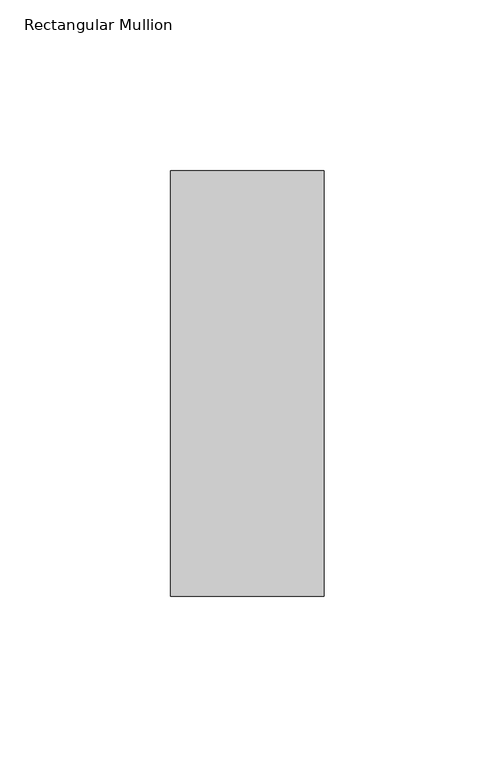
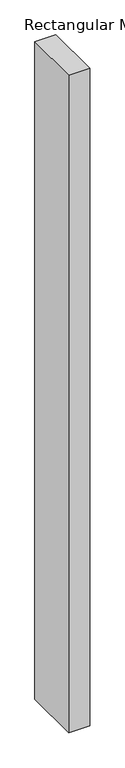
"""IFC4 building model written with IfcOpenShell, lengths in millimetres: member geometry, Rectangular Mullion."""

from ifc_helpers import new_model, si_unit, frame, origin, place, context, project, spatial, polyline, outline, extrude, source, transform, mapped, element, save


def rectangular_mullion_380be9cd(model_context):
    return source(origin(), model_context, "Body", "SweptSolid", [
        extrude(outline(polyline([(0.0, 77.84375), (0.0, -46.84375), (-45.0, -46.84375), (-45.0, 77.84375), (0.0, 77.84375)])), frame((0.0, 0.0, -1485.3794068), z_axis=(0.0, 0.0, 1.0), x_axis=(1.0, 0.0, 0.0)), (0.0, 0.0, 1.0), 1485.3794068),
    ])


if __name__ == "__main__":
    model = new_model("IFC4")
    model_context = context("Model", 3, world=origin())
    ifc_project = project(units=[si_unit("LENGTHUNIT", "METRE", prefix="MILLI")], contexts=[model_context])
    site = spatial("IfcSite", under=ifc_project)
    building = spatial("IfcBuilding", under=site)
    placement = place(None, origin())
    rectangular_mullion_shape = rectangular_mullion_380be9cd(model_context)
    element("IfcMember", 1, ObjectType="Rectangular Mullion", at=placement, inside=building, context=model_context, shape_type="MappedRepresentation", body=[
        mapped(rectangular_mullion_shape, transform((0.0, 0.0, 0.0), x_axis=(1.0, 0.0, 0.0), y_axis=(0.0, 1.0, 0.0), z_axis=(0.0, 0.0, 1.0))),
    ])
    save(model, "model.ifc")
